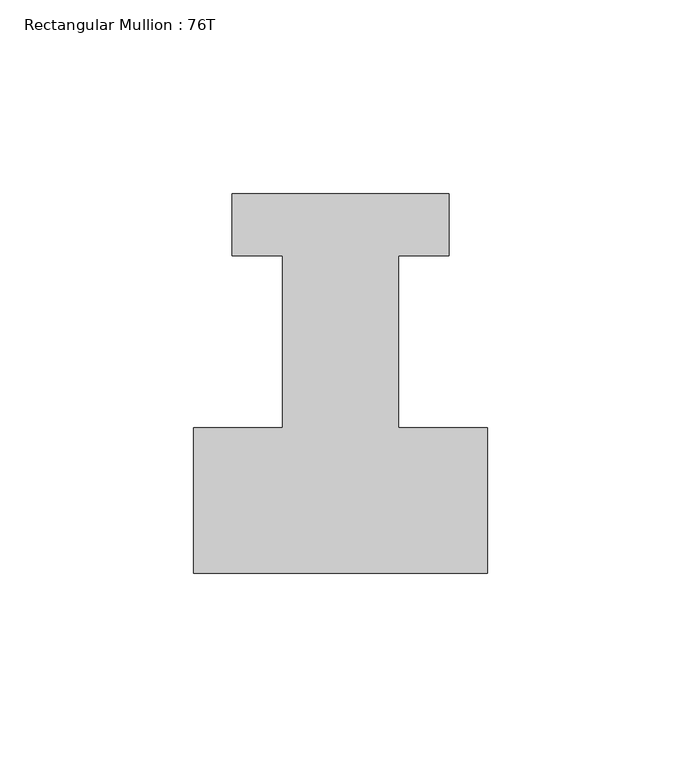
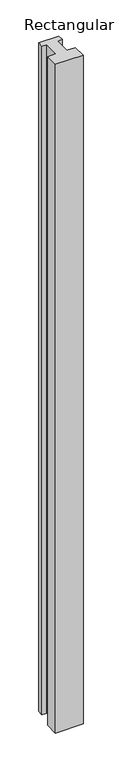
"""IFC4 building model written with IfcOpenShell, lengths in millimetres: member geometry, Rectangular Mullion : 76T."""

from ifc_helpers import new_model, si_unit, frame, origin, place, context, project, spatial, polyline, outline, extrude, source, transform, mapped, element, save


def rectangular_mullion_76t_e356f26e(model_context):
    return source(origin(), model_context, "Body", "SweptSolid", [
        extrude(outline(polyline([(38.0, -38.0), (-38.0, -38.0), (-38.0, -0.5), (-15.0, -0.5), (-15.0, 44.0), (-28.0, 44.0), (-28.0, 60.0), (28.0, 60.0), (28.0, 44.0), (15.0, 44.0), (15.0, -0.5), (38.0, -0.5), (38.0, -38.0)])), frame((0.0, 0.0, -1946.0), z_axis=(0.0, 0.0, 1.0), x_axis=(1.0, 0.0, 0.0)), (0.0, 0.0, 1.0), 1946.0),
    ])


if __name__ == "__main__":
    model = new_model("IFC4")
    model_context = context("Model", 3, world=origin())
    ifc_project = project(units=[si_unit("LENGTHUNIT", "METRE", prefix="MILLI")], contexts=[model_context])
    site = spatial("IfcSite", under=ifc_project)
    building = spatial("IfcBuilding", under=site)
    placement = place(None, origin())
    rectangular_mullion_76t_shape = rectangular_mullion_76t_e356f26e(model_context)
    element("IfcMember", 1, ObjectType="Rectangular Mullion : 76T", at=placement, inside=building, context=model_context, shape_type="MappedRepresentation", body=[
        mapped(rectangular_mullion_76t_shape, transform((0.0, 0.0, 0.0), x_axis=(1.0, 0.0, 0.0), y_axis=(0.0, 1.0, 0.0), z_axis=(0.0, 0.0, 1.0))),
    ])
    save(model, "model.ifc")
